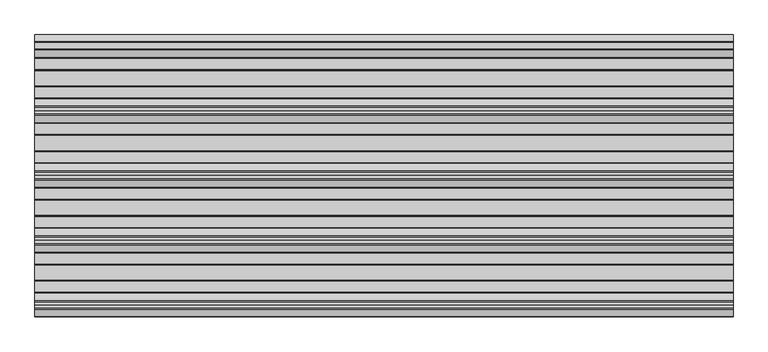
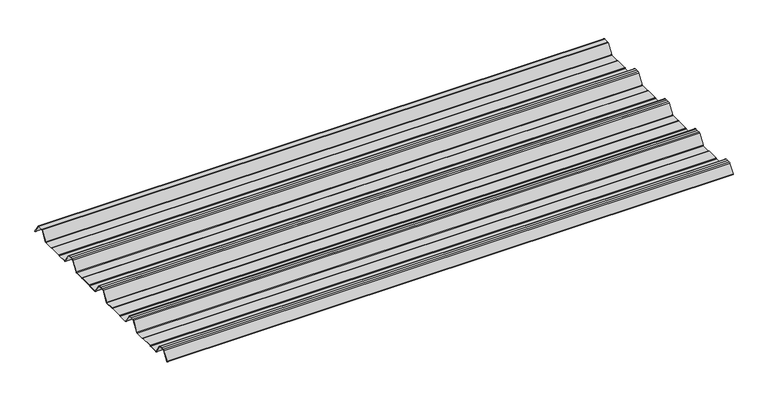
"""IFC4 building model written with IfcOpenShell, lengths in millimetres: beam geometry."""

import ifcopenshell
import ifcopenshell.guid

model = None  # the IFC model being written
_history = None  # IfcOwnerHistory: only IFC2X3 demands one
_inside = {}  # id of a spatial element -> (the spatial element, [elements in it])
_under = {}  # id of a project, library or spatial element -> (it, [spatial elements below it])
_declared = {}  # id of a project -> (the project, [libraries it declares])
_typed = {}  # id of a type object -> (the type object, [elements of that type])
_made_of = {}  # id of a material, layer set ... -> (it, [elements and type objects made of it])


def new_model(schema):
    """Start an empty IFC model of exactly this schema.

    Asked for "IFC4X3", IfcOpenShell would pick the latest addendum, in which some entities
    have other attributes; the version numbers below select the first issue.
    IFC2X3 requires an IfcOwnerHistory on every rooted entity: one is made here for all.
    """
    global model, _history
    if schema == "IFC4X3":
        model = ifcopenshell.file(schema_version=(4, 3, 0, 0))
    else:
        model = ifcopenshell.file(schema=schema)
    _inside.clear()
    _under.clear()
    _declared.clear()
    _typed.clear()
    _made_of.clear()
    _history = None
    if model.schema == "IFC2X3":
        org = make("IfcOrganization", Name="unknown")
        user = make(
            "IfcPersonAndOrganization",
            ThePerson=make("IfcPerson", FamilyName="unknown"),
            TheOrganization=org,
        )
        app = make(
            "IfcApplication",
            ApplicationDeveloper=org,
            Version="unknown",
            ApplicationFullName="unknown",
            ApplicationIdentifier="unknown",
        )
        _history = make(
            "IfcOwnerHistory",
            OwningUser=user,
            OwningApplication=app,
            ChangeAction="ADDED",
            CreationDate=0,
        )
    return model


def make(cls, **values):
    """One entity of the class cls with the attributes given. An attribute that is None is left unset."""
    return model.create_entity(
        cls, **{name: value for name, value in values.items() if value is not None}
    )


def rooted(cls, **values):
    """An entity with a GlobalId (a new one), such as an element, a storey or a relation."""
    return make(cls, GlobalId=ifcopenshell.guid.new(), OwnerHistory=_history, **values)


def si_unit(unit_type, name, prefix=None):
    """IfcSIUnit, for example si_unit("LENGTHUNIT", "METRE", prefix="MILLI")."""
    return make("IfcSIUnit", UnitType=unit_type, Prefix=prefix, Name=name)


def assignment(units):
    """IfcUnitAssignment: the units of a project."""
    return None if units is None else make("IfcUnitAssignment", Units=units)


def point(xyz):
    """IfcCartesianPoint."""
    return None if xyz is None else make("IfcCartesianPoint", Coordinates=xyz)


def direction(xyz):
    """IfcDirection."""
    return None if xyz is None else make("IfcDirection", DirectionRatios=xyz)


def frame(location, z_axis=None, x_axis=None):
    """IfcAxis2Placement3D, a coordinate frame: its origin and axes. An axis left out is left unset."""
    return make(
        "IfcAxis2Placement3D",
        Location=point(location),
        Axis=direction(z_axis),
        RefDirection=direction(x_axis),
    )


def frame_2d(location, x_axis=None):
    """IfcAxis2Placement2D, a coordinate frame in the plane: its origin and x axis."""
    return make(
        "IfcAxis2Placement2D", Location=point(location), RefDirection=direction(x_axis)
    )


def origin():
    """The frame at (0, 0, 0) with its axes left unset."""
    return frame((0.0, 0.0, 0.0))


def place(relative_to, where):
    """IfcLocalPlacement: puts the frame where relative to a parent placement (None: the world)."""
    return make(
        "IfcLocalPlacement", PlacementRelTo=relative_to, RelativePlacement=where
    )


def context(
    kind, dimensions, precision=None, world=None, true_north=None, identifier=None
):
    """IfcGeometricRepresentationContext, for example the 3D "Model" context."""
    return make(
        "IfcGeometricRepresentationContext",
        ContextIdentifier=identifier,
        ContextType=kind,
        CoordinateSpaceDimension=dimensions,
        Precision=precision,
        WorldCoordinateSystem=world,
        TrueNorth=true_north,
    )


def project(units=None, contexts=None):
    """IfcProject with its units and contexts."""
    return rooted(
        "IfcProject",
        Name="project",
        RepresentationContexts=contexts,
        UnitsInContext=assignment(units),
    )


def spatial(cls, under=None, at=None, **own):
    """A site, building, storey or space (cls), placed at a placement, below another one or the project."""
    s = rooted(cls, ObjectPlacement=at, **own)
    if under is not None:
        _under.setdefault(under.id(), (under, []))[1].append(s)
    return s


def polyline(points):
    """IfcPolyline through the points."""
    return make("IfcPolyline", Points=[point(p) for p in points])


def circle_curve(where, radius):
    """IfcCircle in the frame where."""
    return make("IfcCircle", Position=where, Radius=radius)


def trimmed(basis, trim1, trim2, sense, master):
    """IfcTrimmedCurve: the piece of a basis curve between two trims."""
    return make(
        "IfcTrimmedCurve",
        BasisCurve=basis,
        Trim1=trim1,
        Trim2=trim2,
        SenseAgreement=sense,
        MasterRepresentation=master,
    )


def segment(curve, same_sense, transition):
    """IfcCompositeCurveSegment."""
    return make(
        "IfcCompositeCurveSegment",
        Transition=transition,
        SameSense=same_sense,
        ParentCurve=curve,
    )


def composite_curve(segments, self_intersect=None):
    """IfcCompositeCurve: segments joined end to end."""
    return make("IfcCompositeCurve", Segments=segments, SelfIntersect=self_intersect)


def outline(outer, holes=None, kind="AREA"):
    """IfcArbitraryClosedProfileDef: a profile drawn as a closed curve; with holes, ...WithVoids."""
    if holes is None:
        return make("IfcArbitraryClosedProfileDef", ProfileType=kind, OuterCurve=outer)
    return make(
        "IfcArbitraryProfileDefWithVoids",
        ProfileType=kind,
        OuterCurve=outer,
        InnerCurves=holes,
    )


def extrude(swept, where, along, depth):
    """IfcExtrudedAreaSolid: the profile swept, set in the frame where, extruded along a direction by depth."""
    return make(
        "IfcExtrudedAreaSolid",
        SweptArea=swept,
        Position=where,
        ExtrudedDirection=direction(along),
        Depth=depth,
    )


def shape(context_of_items, identifier, shape_type, items):
    """IfcShapeRepresentation: the items that make up one representation, for example the "Body"."""
    return make(
        "IfcShapeRepresentation",
        ContextOfItems=context_of_items,
        RepresentationIdentifier=identifier,
        RepresentationType=shape_type,
        Items=items,
    )


def source(mapping_origin, context_of_items, identifier, shape_type, items):
    """IfcRepresentationMap: a shape defined once, which mapped items show again and again."""
    return make(
        "IfcRepresentationMap",
        MappingOrigin=mapping_origin,
        MappedRepresentation=shape(context_of_items, identifier, shape_type, items),
    )


def transform(
    local_origin,
    x_axis=None,
    y_axis=None,
    z_axis=None,
    scale=None,
    scale2=None,
    scale3=None,
    uniform=True,
):
    """IfcCartesianTransformationOperator3D, or its non-uniform kind. x_axis, y_axis, z_axis: its Axis1, 2, 3."""
    if uniform:
        return make(
            "IfcCartesianTransformationOperator3D",
            Axis1=direction(x_axis),
            Axis2=direction(y_axis),
            LocalOrigin=point(local_origin),
            Scale=scale,
            Axis3=direction(z_axis),
        )
    return make(
        "IfcCartesianTransformationOperator3DnonUniform",
        Axis1=direction(x_axis),
        Axis2=direction(y_axis),
        LocalOrigin=point(local_origin),
        Scale=scale,
        Axis3=direction(z_axis),
        Scale2=scale2,
        Scale3=scale3,
    )


def mapped(mapping_source, mapping_target):
    """IfcMappedItem: shows the shape of a source again, moved by a transform."""
    return make(
        "IfcMappedItem", MappingSource=mapping_source, MappingTarget=mapping_target
    )


def made_of(thing, what):
    """Note that an element or type object is made of a material, layer set ...; save() writes the relation."""
    if what is not None:
        _made_of.setdefault(what.id(), (what, []))[1].append(thing)
    return thing


def element(
    cls,
    number,
    at=None,
    inside=None,
    cuts=None,
    type_object=None,
    material=None,
    context=None,
    identifier="Body",
    shape_type=None,
    held_by="IfcProductDefinitionShape",
    body=None,
    shapes=None,
    **own,
):
    """One element of the class cls, such as IfcWall. Its Tag is "e" and its number.

    at: its placement. inside: the storey or other place that contains it. cuts: it is an
    opening in that element (IfcRelVoidsElement). A single representation is given by context,
    identifier, shape_type and body (its items); several are given by shapes. held_by: the class
    of the entity that holds the representations. save() writes the other relations.
    """
    e = rooted(cls, Tag="e%d" % number, ObjectPlacement=at, **own)
    if body is not None:
        shapes = [shape(context, identifier, shape_type, body)]
    if shapes is not None:
        e.Representation = make(held_by, Representations=shapes)
    if inside is not None:
        _inside.setdefault(inside.id(), (inside, []))[1].append(e)
    if cuts is not None:
        rooted(
            "IfcRelVoidsElement", RelatingBuildingElement=cuts, RelatedOpeningElement=e
        )
    if type_object is not None:
        _typed.setdefault(type_object.id(), (type_object, []))[1].append(e)
    return made_of(e, material)


def aggregate(whole, parts):
    """IfcRelAggregates: a whole, such as a stair, and the parts it consists of."""
    return rooted("IfcRelAggregates", RelatingObject=whole, RelatedObjects=parts)


def save(model, path):
    """Write the relations noted so far, then the file.

    IfcRelAggregates (storeys below a building ...), IfcRelContainedInSpatialStructure (elements
    in a storey), IfcRelDefinesByType, IfcRelAssociatesMaterial and IfcRelDeclares: one each for
    every whole, place, type object, material and project.
    """
    for whole, parts in _under.values():
        aggregate(whole, parts)
    for where, things in _inside.values():
        rooted(
            "IfcRelContainedInSpatialStructure",
            RelatedElements=things,
            RelatingStructure=where,
        )
    for kind, things in _typed.values():
        rooted("IfcRelDefinesByType", RelatedObjects=things, RelatingType=kind)
    for what, things in _made_of.values():
        rooted("IfcRelAssociatesMaterial", RelatedObjects=things, RelatingMaterial=what)
    for by, libraries in _declared.values():
        rooted("IfcRelDeclares", RelatingContext=by, RelatedDefinitions=libraries)
    model.write(path)


def beam_906d856a(model_context):
    return source(origin(), model_context, "Body", "SweptSolid", [
        extrude(outline(composite_curve([segment(trimmed(circle_curve(frame_2d((-42.8221294, -22.7927378)), 1.9969096), [point((-42.8221294, -24.7896475))], [point((-41.1570881, -23.8951378))], True, "CARTESIAN"), True, "CONTINUOUS"), segment(polyline([(-41.1570881, -23.8951378), (-15.2135106, 15.2894853)]), True, "CONTINUOUS"), segment(trimmed(circle_curve(frame_2d((-11.5, 12.6603525)), 4.55), [point((-15.2135106, 15.2894853))], [point((-11.5, 17.2103525))], False, "CARTESIAN"), True, "CONTINUOUS"), segment(polyline([(-11.5, 17.2103525), (11.5, 17.2103525)]), True, "CONTINUOUS"), segment(trimmed(circle_curve(frame_2d((11.5, 12.6603525)), 4.55), [point((11.5, 17.2103525))], [point((15.2135106, 15.2894853))], False, "CARTESIAN"), True, "CONTINUOUS"), segment(polyline([(15.2135106, 15.2894853), (40.2177712, -22.4764137)]), True, "CONTINUOUS"), segment(trimmed(circle_curve(frame_2d((39.8008667, -22.7524402)), 0.5), [point((40.2177712, -22.4764137))], [point((39.3839622, -23.0284667))], False, "CARTESIAN"), True, "CONTINUOUS"), segment(polyline([(39.3839622, -23.0284667), (14.3888612, 14.7235977)]), True, "CONTINUOUS"), segment(trimmed(circle_curve(frame_2d((11.5, 12.6603525)), 3.55), [point((14.3888612, 14.7235977))], [point((11.5, 16.2103525))], True, "CARTESIAN"), True, "CONTINUOUS"), segment(polyline([(11.5, 16.2103525), (-11.5, 16.2103525)]), True, "CONTINUOUS"), segment(trimmed(circle_curve(frame_2d((-11.5, 12.6603525)), 3.55), [point((-11.5, 16.2103525))], [point((-14.3888612, 14.7235977))], True, "CARTESIAN"), True, "CONTINUOUS"), segment(polyline([(-14.3888612, 14.7235977), (-40.3232791, -24.4471908)]), True, "CONTINUOUS"), segment(trimmed(circle_curve(frame_2d((-42.8221294, -22.7927378)), 2.9969096), [point((-40.3232791, -24.4471908))], [point((-42.8221294, -25.7896475))], False, "CARTESIAN"), True, "CONTINUOUS"), segment(polyline([(-42.8221294, -25.7896475), (-85.388552, -25.7896475)]), True, "CONTINUOUS"), segment(trimmed(circle_curve(frame_2d((-85.388552, -24.3396475)), 1.45), [point((-85.388552, -25.7896475))], [point((-86.3205937, -25.4504122))], False, "CARTESIAN"), True, "CONTINUOUS"), segment(polyline([(-86.3205937, -25.4504122), (-87.5888326, -24.386234)]), True, "CONTINUOUS"), segment(trimmed(circle_curve(frame_2d((-89.2279412, -26.3396487)), 2.5500012), [point((-87.5888326, -24.386234))], [point((-89.2279412, -23.7896475))], True, "CARTESIAN"), True, "CONTINUOUS"), segment(polyline([(-89.2279412, -23.7896475), (-143.2720588, -23.7896475)]), True, "CONTINUOUS"), segment(trimmed(circle_curve(frame_2d((-143.2720588, -26.3396487)), 2.5500012), [point((-143.2720588, -23.7896475))], [point((-144.9111674, -24.386234))], True, "CARTESIAN"), True, "CONTINUOUS"), segment(polyline([(-144.9111674, -24.386234), (-146.1794063, -25.4504122)]), True, "CONTINUOUS"), segment(trimmed(circle_curve(frame_2d((-147.111448, -24.3396475)), 1.45), [point((-146.1794063, -25.4504122))], [point((-147.111448, -25.7896475))], False, "CARTESIAN"), True, "CONTINUOUS"), segment(polyline([(-147.111448, -25.7896475), (-186.4999995, -25.7896475)]), True, "CONTINUOUS"), segment(trimmed(circle_curve(frame_2d((-186.4999995, -21.3396478)), 4.4499996), [point((-186.4999995, -25.7896475))], [point((-190.1531515, -23.8807062))], False, "CARTESIAN"), True, "CONTINUOUS"), segment(polyline([(-190.1531515, -23.8807062), (-216.4608773, 15.8539187)]), True, "CONTINUOUS"), segment(trimmed(circle_curve(frame_2d((-221.0, 12.6603525)), 5.55), [point((-216.4608773, 15.8539187))], [point((-221.0, 18.2103525))], True, "CARTESIAN"), True, "CONTINUOUS"), segment(polyline([(-221.0, 18.2103525), (-232.5, 18.2103525), (-244.0, 18.2103525)]), True, "CONTINUOUS"), segment(trimmed(circle_curve(frame_2d((-244.0, 12.6603525)), 5.55), [point((-244.0, 18.2103525))], [point((-248.5391227, 15.8539187))], True, "CARTESIAN"), True, "CONTINUOUS"), segment(polyline([(-248.5391227, 15.8539187), (-274.8468485, -23.8807062)]), True, "CONTINUOUS"), segment(trimmed(circle_curve(frame_2d((-278.5000005, -21.3396478)), 4.4499996), [point((-274.8468485, -23.8807062))], [point((-278.5000005, -25.7896475))], False, "CARTESIAN"), True, "CONTINUOUS"), segment(polyline([(-278.5000005, -25.7896475), (-317.888552, -25.7896475)]), True, "CONTINUOUS"), segment(trimmed(circle_curve(frame_2d((-317.888552, -24.3396475)), 1.45), [point((-317.888552, -25.7896475))], [point((-318.8205937, -25.4504122))], False, "CARTESIAN"), True, "CONTINUOUS"), segment(polyline([(-318.8205937, -25.4504122), (-320.0888326, -24.386234)]), True, "CONTINUOUS"), segment(trimmed(circle_curve(frame_2d((-321.7279412, -26.3396487)), 2.5500012), [point((-320.0888326, -24.386234))], [point((-321.7279412, -23.7896475))], True, "CARTESIAN"), True, "CONTINUOUS"), segment(polyline([(-321.7279412, -23.7896475), (-375.7720588, -23.7896475)]), True, "CONTINUOUS"), segment(trimmed(circle_curve(frame_2d((-375.7720588, -26.3396487)), 2.5500012), [point((-375.7720588, -23.7896475))], [point((-377.4111674, -24.386234))], True, "CARTESIAN"), True, "CONTINUOUS"), segment(polyline([(-377.4111674, -24.386234), (-378.6794063, -25.4504122)]), True, "CONTINUOUS"), segment(trimmed(circle_curve(frame_2d((-379.611448, -24.3396475)), 1.45), [point((-378.6794063, -25.4504122))], [point((-379.611448, -25.7896475))], False, "CARTESIAN"), True, "CONTINUOUS"), segment(polyline([(-379.611448, -25.7896475), (-418.9999995, -25.7896475)]), True, "CONTINUOUS"), segment(trimmed(circle_curve(frame_2d((-418.9999995, -21.3396478)), 4.4499996), [point((-418.9999995, -25.7896475))], [point((-422.6531515, -23.8807062))], False, "CARTESIAN"), True, "CONTINUOUS"), segment(polyline([(-422.6531515, -23.8807062), (-448.9608773, 15.8539187)]), True, "CONTINUOUS"), segment(trimmed(circle_curve(frame_2d((-453.5, 12.6603525)), 5.55), [point((-448.9608773, 15.8539187))], [point((-453.5, 18.2103525))], True, "CARTESIAN"), True, "CONTINUOUS"), segment(polyline([(-453.5, 18.2103525), (-465.0, 18.2103525), (-476.5, 18.2103525)]), True, "CONTINUOUS"), segment(trimmed(circle_curve(frame_2d((-476.5, 12.6603525)), 5.55), [point((-476.5, 18.2103525))], [point((-481.0391227, 15.8539187))], True, "CARTESIAN"), True, "CONTINUOUS"), segment(polyline([(-481.0391227, 15.8539187), (-507.3468485, -23.8807062)]), True, "CONTINUOUS"), segment(trimmed(circle_curve(frame_2d((-511.0000005, -21.3396478)), 4.4499996), [point((-507.3468485, -23.8807062))], [point((-511.0000005, -25.7896475))], False, "CARTESIAN"), True, "CONTINUOUS"), segment(polyline([(-511.0000005, -25.7896475), (-550.388552, -25.7896475)]), True, "CONTINUOUS"), segment(trimmed(circle_curve(frame_2d((-550.388552, -24.3396475)), 1.45), [point((-550.388552, -25.7896475))], [point((-551.3205937, -25.4504122))], False, "CARTESIAN"), True, "CONTINUOUS"), segment(polyline([(-551.3205937, -25.4504122), (-552.5888326, -24.386234)]), True, "CONTINUOUS"), segment(trimmed(circle_curve(frame_2d((-554.2279412, -26.3396487)), 2.5500012), [point((-552.5888326, -24.386234))], [point((-554.2279412, -23.7896475))], True, "CARTESIAN"), True, "CONTINUOUS"), segment(polyline([(-554.2279412, -23.7896475), (-608.2720588, -23.7896475)]), True, "CONTINUOUS"), segment(trimmed(circle_curve(frame_2d((-608.2720588, -26.3396487)), 2.5500012), [point((-608.2720588, -23.7896475))], [point((-609.9111674, -24.386234))], True, "CARTESIAN"), True, "CONTINUOUS"), segment(polyline([(-609.9111674, -24.386234), (-611.1794063, -25.4504122)]), True, "CONTINUOUS"), segment(trimmed(circle_curve(frame_2d((-612.111448, -24.3396475)), 1.45), [point((-611.1794063, -25.4504122))], [point((-612.111448, -25.7896475))], False, "CARTESIAN"), True, "CONTINUOUS"), segment(polyline([(-612.111448, -25.7896475), (-651.4999995, -25.7896475)]), True, "CONTINUOUS"), segment(trimmed(circle_curve(frame_2d((-651.4999995, -21.3396478)), 4.4499996), [point((-651.4999995, -25.7896475))], [point((-655.1531515, -23.8807062))], False, "CARTESIAN"), True, "CONTINUOUS"), segment(polyline([(-655.1531515, -23.8807062), (-681.4608773, 15.8539187)]), True, "CONTINUOUS"), segment(trimmed(circle_curve(frame_2d((-686.0, 12.6603525)), 5.55), [point((-681.4608773, 15.8539187))], [point((-686.0, 18.2103525))], True, "CARTESIAN"), True, "CONTINUOUS"), segment(polyline([(-686.0, 18.2103525), (-697.5, 18.2103525), (-709.0, 18.2103525)]), True, "CONTINUOUS"), segment(trimmed(circle_curve(frame_2d((-709.0, 12.6603525)), 5.55), [point((-709.0, 18.2103525))], [point((-713.5391227, 15.8539187))], True, "CARTESIAN"), True, "CONTINUOUS"), segment(polyline([(-713.5391227, 15.8539187), (-739.8468485, -23.8807062)]), True, "CONTINUOUS"), segment(trimmed(circle_curve(frame_2d((-743.5000005, -21.3396478)), 4.4499996), [point((-739.8468485, -23.8807062))], [point((-743.5000005, -25.7896475))], False, "CARTESIAN"), True, "CONTINUOUS"), segment(polyline([(-743.5000005, -25.7896475), (-782.888552, -25.7896475)]), True, "CONTINUOUS"), segment(trimmed(circle_curve(frame_2d((-782.888552, -24.3396475)), 1.45), [point((-782.888552, -25.7896475))], [point((-783.8205937, -25.4504122))], False, "CARTESIAN"), True, "CONTINUOUS"), segment(polyline([(-783.8205937, -25.4504122), (-785.0888326, -24.386234)]), True, "CONTINUOUS"), segment(trimmed(circle_curve(frame_2d((-786.7279412, -26.3396487)), 2.5500012), [point((-785.0888326, -24.386234))], [point((-786.7279412, -23.7896475))], True, "CARTESIAN"), True, "CONTINUOUS"), segment(polyline([(-786.7279412, -23.7896475), (-840.7720588, -23.7896475)]), True, "CONTINUOUS"), segment(trimmed(circle_curve(frame_2d((-840.7720588, -26.3396487)), 2.5500012), [point((-840.7720588, -23.7896475))], [point((-842.4111674, -24.386234))], True, "CARTESIAN"), True, "CONTINUOUS"), segment(polyline([(-842.4111674, -24.386234), (-843.6794063, -25.4504122)]), True, "CONTINUOUS"), segment(trimmed(circle_curve(frame_2d((-844.611448, -24.3396475)), 1.45), [point((-843.6794063, -25.4504122))], [point((-844.611448, -25.7896475))], False, "CARTESIAN"), True, "CONTINUOUS"), segment(polyline([(-844.611448, -25.7896475), (-883.9999995, -25.7896475)]), True, "CONTINUOUS"), segment(trimmed(circle_curve(frame_2d((-883.9999995, -21.3396478)), 4.4499996), [point((-883.9999995, -25.7896475))], [point((-887.6531515, -23.8807062))], False, "CARTESIAN"), True, "CONTINUOUS"), segment(polyline([(-887.6531515, -23.8807062), (-913.9608773, 15.8539187)]), True, "CONTINUOUS"), segment(trimmed(circle_curve(frame_2d((-918.5, 12.6603525)), 5.55), [point((-913.9608773, 15.8539187))], [point((-918.5, 18.2103525))], True, "CARTESIAN"), True, "CONTINUOUS"), segment(polyline([(-918.5, 18.2103525), (-930.0, 18.2103525), (-941.5, 18.2103525)]), True, "CONTINUOUS"), segment(trimmed(circle_curve(frame_2d((-941.5, 12.6603525)), 5.55), [point((-941.5, 18.2103525))], [point((-946.0391227, 15.8539187))], True, "CARTESIAN"), True, "CONTINUOUS"), segment(polyline([(-946.0391227, 15.8539187), (-969.9715304, -20.2930766)]), True, "CONTINUOUS"), segment(trimmed(circle_curve(frame_2d((-970.3884349, -20.0170501)), 0.5), [point((-969.9715304, -20.2930766))], [point((-970.8053395, -19.7410236))], False, "CARTESIAN"), True, "CONTINUOUS"), segment(polyline([(-970.8053395, -19.7410236), (-946.8654458, 16.4172784)]), True, "CONTINUOUS"), segment(trimmed(circle_curve(frame_2d((-941.5, 12.6603525)), 6.55), [point((-946.8654458, 16.4172784))], [point((-941.5, 19.2103525))], False, "CARTESIAN"), True, "CONTINUOUS"), segment(polyline([(-941.5, 19.2103525), (-930.0, 19.2103525), (-918.5, 19.2103525)]), True, "CONTINUOUS"), segment(trimmed(circle_curve(frame_2d((-918.5, 12.6603525)), 6.55), [point((-918.5, 19.2103525))], [point((-913.1345542, 16.4172784))], False, "CARTESIAN"), True, "CONTINUOUS"), segment(polyline([(-913.1345542, 16.4172784), (-886.8260739, -23.3184861)]), True, "CONTINUOUS"), segment(trimmed(circle_curve(frame_2d((-883.9999995, -21.3396478)), 3.4499996), [point((-886.8260739, -23.3184861))], [point((-883.9999995, -24.7896475))], True, "CARTESIAN"), True, "CONTINUOUS"), segment(polyline([(-883.9999995, -24.7896475), (-844.8915726, -24.7896475)]), True, "CONTINUOUS"), segment(trimmed(circle_curve(frame_2d((-844.8915726, -23.5700111)), 1.2196364), [point((-844.8915726, -24.7896475))], [point((-844.1076057, -24.504307))], True, "CARTESIAN"), True, "CONTINUOUS"), segment(polyline([(-844.1076057, -24.504307), (-843.0539548, -23.6201894)]), True, "CONTINUOUS"), segment(trimmed(circle_curve(frame_2d((-840.7720588, -26.3396487)), 3.5500012), [point((-843.0539548, -23.6201894))], [point((-840.7720588, -22.7896475))], False, "CARTESIAN"), True, "CONTINUOUS"), segment(polyline([(-840.7720588, -22.7896475), (-786.7279412, -22.7896475)]), True, "CONTINUOUS"), segment(trimmed(circle_curve(frame_2d((-786.7279412, -26.3396487)), 3.5500012), [point((-786.7279412, -22.7896475))], [point((-784.4460452, -23.6201894))], False, "CARTESIAN"), True, "CONTINUOUS"), segment(polyline([(-784.4460452, -23.6201894), (-783.3923943, -24.504307)]), True, "CONTINUOUS"), segment(trimmed(circle_curve(frame_2d((-782.6084274, -23.5700111)), 1.2196364), [point((-783.3923943, -24.504307))], [point((-782.6084274, -24.7896475))], True, "CARTESIAN"), True, "CONTINUOUS"), segment(polyline([(-782.6084274, -24.7896475), (-743.5000005, -24.7896475)]), True, "CONTINUOUS"), segment(trimmed(circle_curve(frame_2d((-743.5000005, -21.3396478)), 3.4499996), [point((-743.5000005, -24.7896475))], [point((-740.6739261, -23.3184861))], True, "CARTESIAN"), True, "CONTINUOUS"), segment(polyline([(-740.6739261, -23.3184861), (-714.3654458, 16.4172784)]), True, "CONTINUOUS"), segment(trimmed(circle_curve(frame_2d((-709.0, 12.6603525)), 6.55), [point((-714.3654458, 16.4172784))], [point((-709.0, 19.2103525))], False, "CARTESIAN"), True, "CONTINUOUS"), segment(polyline([(-709.0, 19.2103525), (-697.5, 19.2103525), (-686.0, 19.2103525)]), True, "CONTINUOUS"), segment(trimmed(circle_curve(frame_2d((-686.0, 12.6603525)), 6.55), [point((-686.0, 19.2103525))], [point((-680.6345542, 16.4172784))], False, "CARTESIAN"), True, "CONTINUOUS"), segment(polyline([(-680.6345542, 16.4172784), (-654.3260739, -23.3184861)]), True, "CONTINUOUS"), segment(trimmed(circle_curve(frame_2d((-651.4999995, -21.3396478)), 3.4499996), [point((-654.3260739, -23.3184861))], [point((-651.4999995, -24.7896475))], True, "CARTESIAN"), True, "CONTINUOUS"), segment(polyline([(-651.4999995, -24.7896475), (-612.3915726, -24.7896475)]), True, "CONTINUOUS"), segment(trimmed(circle_curve(frame_2d((-612.3915726, -23.5700111)), 1.2196364), [point((-612.3915726, -24.7896475))], [point((-611.6076057, -24.504307))], True, "CARTESIAN"), True, "CONTINUOUS"), segment(polyline([(-611.6076057, -24.504307), (-610.5539548, -23.6201894)]), True, "CONTINUOUS"), segment(trimmed(circle_curve(frame_2d((-608.2720588, -26.3396487)), 3.5500012), [point((-610.5539548, -23.6201894))], [point((-608.2720588, -22.7896475))], False, "CARTESIAN"), True, "CONTINUOUS"), segment(polyline([(-608.2720588, -22.7896475), (-554.2279412, -22.7896475)]), True, "CONTINUOUS"), segment(trimmed(circle_curve(frame_2d((-554.2279412, -26.3396487)), 3.5500012), [point((-554.2279412, -22.7896475))], [point((-551.9460452, -23.6201894))], False, "CARTESIAN"), True, "CONTINUOUS"), segment(polyline([(-551.9460452, -23.6201894), (-550.8923943, -24.504307)]), True, "CONTINUOUS"), segment(trimmed(circle_curve(frame_2d((-550.1084274, -23.5700111)), 1.2196364), [point((-550.8923943, -24.504307))], [point((-550.1084274, -24.7896475))], True, "CARTESIAN"), True, "CONTINUOUS"), segment(polyline([(-550.1084274, -24.7896475), (-511.0000005, -24.7896475)]), True, "CONTINUOUS"), segment(trimmed(circle_curve(frame_2d((-511.0000005, -21.3396478)), 3.4499996), [point((-511.0000005, -24.7896475))], [point((-508.1739261, -23.3184861))], True, "CARTESIAN"), True, "CONTINUOUS"), segment(polyline([(-508.1739261, -23.3184861), (-481.8654458, 16.4172784)]), True, "CONTINUOUS"), segment(trimmed(circle_curve(frame_2d((-476.5, 12.6603525)), 6.55), [point((-481.8654458, 16.4172784))], [point((-476.5, 19.2103525))], False, "CARTESIAN"), True, "CONTINUOUS"), segment(polyline([(-476.5, 19.2103525), (-465.0, 19.2103525), (-453.5, 19.2103525)]), True, "CONTINUOUS"), segment(trimmed(circle_curve(frame_2d((-453.5, 12.6603525)), 6.55), [point((-453.5, 19.2103525))], [point((-448.1345542, 16.4172784))], False, "CARTESIAN"), True, "CONTINUOUS"), segment(polyline([(-448.1345542, 16.4172784), (-421.8260739, -23.3184861)]), True, "CONTINUOUS"), segment(trimmed(circle_curve(frame_2d((-418.9999995, -21.3396478)), 3.4499996), [point((-421.8260739, -23.3184861))], [point((-418.9999995, -24.7896475))], True, "CARTESIAN"), True, "CONTINUOUS"), segment(polyline([(-418.9999995, -24.7896475), (-379.8915726, -24.7896475)]), True, "CONTINUOUS"), segment(trimmed(circle_curve(frame_2d((-379.8915726, -23.5700111)), 1.2196364), [point((-379.8915726, -24.7896475))], [point((-379.1076057, -24.504307))], True, "CARTESIAN"), True, "CONTINUOUS"), segment(polyline([(-379.1076057, -24.504307), (-378.0539548, -23.6201894)]), True, "CONTINUOUS"), segment(trimmed(circle_curve(frame_2d((-375.7720588, -26.3396487)), 3.5500012), [point((-378.0539548, -23.6201894))], [point((-375.7720588, -22.7896475))], False, "CARTESIAN"), True, "CONTINUOUS"), segment(polyline([(-375.7720588, -22.7896475), (-321.7279412, -22.7896475)]), True, "CONTINUOUS"), segment(trimmed(circle_curve(frame_2d((-321.7279412, -26.3396487)), 3.5500012), [point((-321.7279412, -22.7896475))], [point((-319.4460452, -23.6201894))], False, "CARTESIAN"), True, "CONTINUOUS"), segment(polyline([(-319.4460452, -23.6201894), (-318.3923943, -24.504307)]), True, "CONTINUOUS"), segment(trimmed(circle_curve(frame_2d((-317.6084274, -23.5700111)), 1.2196364), [point((-318.3923943, -24.504307))], [point((-317.6084274, -24.7896475))], True, "CARTESIAN"), True, "CONTINUOUS"), segment(polyline([(-317.6084274, -24.7896475), (-278.5000005, -24.7896475)]), True, "CONTINUOUS"), segment(trimmed(circle_curve(frame_2d((-278.5000005, -21.3396478)), 3.4499996), [point((-278.5000005, -24.7896475))], [point((-275.6739261, -23.3184861))], True, "CARTESIAN"), True, "CONTINUOUS"), segment(polyline([(-275.6739261, -23.3184861), (-249.3654458, 16.4172784)]), True, "CONTINUOUS"), segment(trimmed(circle_curve(frame_2d((-244.0, 12.6603525)), 6.55), [point((-249.3654458, 16.4172784))], [point((-244.0, 19.2103525))], False, "CARTESIAN"), True, "CONTINUOUS"), segment(polyline([(-244.0, 19.2103525), (-232.5, 19.2103525), (-221.0, 19.2103525)]), True, "CONTINUOUS"), segment(trimmed(circle_curve(frame_2d((-221.0, 12.6603525)), 6.55), [point((-221.0, 19.2103525))], [point((-215.6345542, 16.4172784))], False, "CARTESIAN"), True, "CONTINUOUS"), segment(polyline([(-215.6345542, 16.4172784), (-189.3260739, -23.3184861)]), True, "CONTINUOUS"), segment(trimmed(circle_curve(frame_2d((-186.4999995, -21.3396478)), 3.4499996), [point((-189.3260739, -23.3184861))], [point((-186.4999995, -24.7896475))], True, "CARTESIAN"), True, "CONTINUOUS"), segment(polyline([(-186.4999995, -24.7896475), (-147.3915726, -24.7896475)]), True, "CONTINUOUS"), segment(trimmed(circle_curve(frame_2d((-147.3915726, -23.5700111)), 1.2196364), [point((-147.3915726, -24.7896475))], [point((-146.6076057, -24.504307))], True, "CARTESIAN"), True, "CONTINUOUS"), segment(polyline([(-146.6076057, -24.504307), (-145.5539548, -23.6201894)]), True, "CONTINUOUS"), segment(trimmed(circle_curve(frame_2d((-143.2720588, -26.3396487)), 3.5500012), [point((-145.5539548, -23.6201894))], [point((-143.2720588, -22.7896475))], False, "CARTESIAN"), True, "CONTINUOUS"), segment(polyline([(-143.2720588, -22.7896475), (-89.2279412, -22.7896475)]), True, "CONTINUOUS"), segment(trimmed(circle_curve(frame_2d((-89.2279412, -26.3396487)), 3.5500012), [point((-89.2279412, -22.7896475))], [point((-86.9460452, -23.6201894))], False, "CARTESIAN"), True, "CONTINUOUS"), segment(polyline([(-86.9460452, -23.6201894), (-85.8923943, -24.504307)]), True, "CONTINUOUS"), segment(trimmed(circle_curve(frame_2d((-85.1084274, -23.5700111)), 1.2196364), [point((-85.8923943, -24.504307))], [point((-85.1084274, -24.7896475))], True, "CARTESIAN"), True, "CONTINUOUS"), segment(polyline([(-85.1084274, -24.7896475), (-42.8221294, -24.7896475)]), True, "CONTINUOUS")], self_intersect=False)), frame((-1250.7126714, 0.0, 0.0), z_axis=(1.0, 0.0, 0.0), x_axis=(0.0, 1.0, 0.0)), (0.0, 0.0, 1.0), 2501.4253429),
    ])


if __name__ == "__main__":
    model = new_model("IFC4")
    model_context = context("Model", 3, world=origin())
    ifc_project = project(units=[si_unit("LENGTHUNIT", "METRE", prefix="MILLI")], contexts=[model_context])
    site = spatial("IfcSite", under=ifc_project)
    building = spatial("IfcBuilding", under=site)
    placement = place(None, origin())
    beam_shape = beam_906d856a(model_context)
    element("IfcBeam", 1, at=placement, inside=building, context=model_context, shape_type="MappedRepresentation", body=[
        mapped(beam_shape, transform((0.0, 0.0, 0.0), x_axis=(1.0, 0.0, 0.0), y_axis=(0.0, 1.0, 0.0), z_axis=(0.0, 0.0, 1.0))),
    ])
    save(model, "model.ifc")
